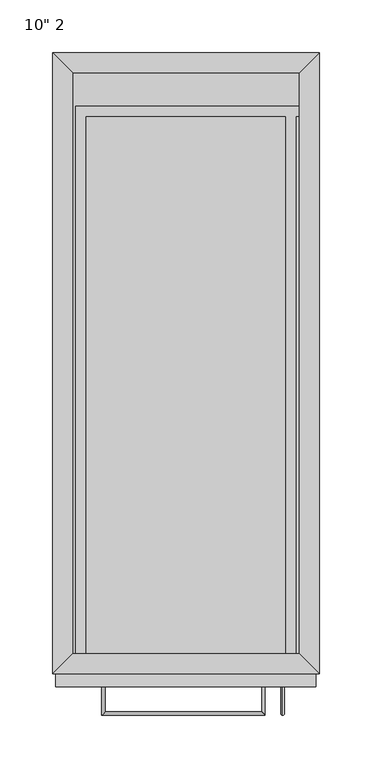
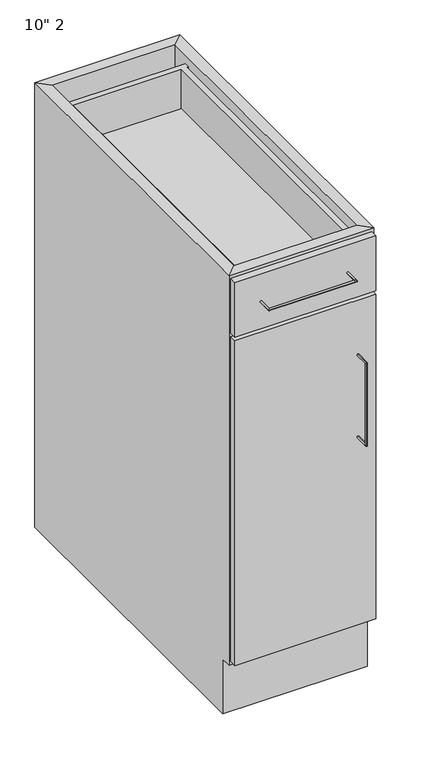
"""IFC4 building model written with IfcOpenShell, lengths in millimetres: furniture geometry."""

from ifc_helpers import new_model, si_unit, frame, origin, place, context, project, spatial, polyline, circle_curve, ellipse_curve, outline, extrude, faceted_brep, source, transform, mapped, element, save
from ifc_brep_helpers import plane_surface, cylinder_surface, advanced_brep


def furniture_84229272(model_context):
    return source(origin(), model_context, "Body", "SolidModel", [
        advanced_brep(
        [(110.8127049, -603.25, 611.1875), (110.8127049, -603.25, 608.0125), (110.8127049, -630.2375, 611.1875), (110.8127049, -627.0625, 608.0125), (110.8127049, -630.2375, 455.6125), (110.8127049, -627.0625, 458.7875), (110.8127049, -603.25, 455.6125), (110.8127049, -603.25, 458.7875)],
        [
            (0, 1, circle_curve(frame((110.8127049, -603.25, 609.6), z_axis=(0.0, 1.0, 0.0), x_axis=(0.0, 0.0, -1.0)), 1.5875)),
            (1, 0, circle_curve(frame((110.8127049, -603.25, 609.6), z_axis=(0.0, 1.0, 0.0), x_axis=(0.0, 0.0, -1.0)), 1.5875)),
            (0, 2),
            (2, 3, ellipse_curve(frame((110.8127049, -628.65, 609.6), z_axis=(0.0, 0.7071067811865475, 0.7071067811865475), x_axis=(0.0, 0.7071067811865476, -0.7071067811865474)), 2.245064, 1.5875)),
            (3, 1),
            (3, 2, ellipse_curve(frame((110.8127049, -628.65, 609.6), z_axis=(0.0, 0.7071067811865475, 0.7071067811865475), x_axis=(0.0, 0.7071067811865476, -0.7071067811865474)), 2.245064, 1.5875)),
            (2, 4),
            (4, 5, ellipse_curve(frame((110.8127049, -628.65, 457.2), z_axis=(0.0, -0.7071067811865475, 0.7071067811865475), x_axis=(0.0, 0.7071067811865474, 0.7071067811865476)), 2.245064, 1.5875)),
            (5, 3),
            (5, 4, ellipse_curve(frame((110.8127049, -628.65, 457.2), z_axis=(0.0, -0.7071067811865475, 0.7071067811865475), x_axis=(0.0, 0.7071067811865474, 0.7071067811865476)), 2.245064, 1.5875)),
            (6, 7, circle_curve(frame((110.8127049, -603.25, 457.2), z_axis=(0.0, 1.0, 0.0), x_axis=(0.0, 0.0, 1.0)), 1.5875)),
            (7, 6, circle_curve(frame((110.8127049, -603.25, 457.2), z_axis=(0.0, 1.0, 0.0), x_axis=(0.0, 0.0, 1.0)), 1.5875)),
            (4, 6),
            (7, 5),
        ],
        [
            plane_surface(frame((110.8127049, -603.25, 609.6), z_axis=(0.0, 1.0, 0.0), x_axis=(1.0, 0.0, 0.0))),
            cylinder_surface(frame((110.8127049, -603.25, 609.6), z_axis=(0.0, 1.0, 0.0), x_axis=(0.0, 0.0, -1.0)), 1.5875),
            cylinder_surface(frame((110.8127049, -628.65, 609.6), z_axis=(0.0, 0.0, 1.0), x_axis=(0.0, 1.0, 0.0)), 1.5875),
            plane_surface(frame((110.8127049, -603.25, 457.2), z_axis=(0.0, 1.0, 0.0), x_axis=(1.0, 0.0, 0.0))),
            cylinder_surface(frame((110.8127049, -628.65, 457.2), z_axis=(0.0, -1.0, 0.0), x_axis=(0.0, 0.0, 1.0)), 1.5875),
        ],
        [
            (0, [[1, 2]]),
            (1, [[-1, 3, 4, 5]]),
            (1, [[-2, -5, 6, -3]]),
            (2, [[-4, 7, 8, 9]]),
            (2, [[-6, -9, 10, -7]]),
            (3, [[11, 12]]),
            (4, [[-8, 13, -12, 14]]),
            (4, [[-10, -14, -11, -13]]),
        ],
    ),
        extrude(outline(polyline([(142.5627049, -603.25), (-105.0872951, -603.25), (-105.0872951, -590.55), (142.5627049, -590.55), (142.5627049, -603.25)])), frame((0.0, 0.0, 107.95), z_axis=(0.0, 0.0, 1.0), x_axis=(1.0, 0.0, 0.0)), (0.0, 0.0, 1.0), 603.25),
        extrude(outline(polyline([(142.5627049, -603.25), (-105.0872951, -603.25), (-105.0872951, -590.55), (142.5627049, -590.55), (142.5627049, -603.25)])), frame((0.0, 0.0, 717.55), z_axis=(0.0, 0.0, 1.0), x_axis=(1.0, 0.0, 0.0)), (0.0, 0.0, 1.0), 101.6),
        advanced_brep(
        [(-61.4022887, -603.25, 768.5912891), (-58.2272887, -603.25, 768.5912891), (-61.4022887, -630.2375, 768.5912891), (-58.2272887, -627.0625, 768.5912891), (94.1727113, -630.2375, 768.5912891), (90.9977113, -627.0625, 768.5912891), (94.1727113, -603.25, 768.5912891), (90.9977113, -603.25, 768.5912891)],
        [
            (0, 1, circle_curve(frame((-59.8147887, -603.25, 768.5912891), z_axis=(0.0, 1.0, 0.0), x_axis=(1.0, 0.0, 0.0)), 1.5875)),
            (1, 0, circle_curve(frame((-59.8147887, -603.25, 768.5912891), z_axis=(0.0, 1.0, 0.0), x_axis=(1.0, 0.0, 0.0)), 1.5875)),
            (0, 2),
            (2, 3, ellipse_curve(frame((-59.8147887, -628.65, 768.5912891), z_axis=(-0.7071067811865475, 0.7071067811865475, 0.0), x_axis=(0.7071067811865474, 0.7071067811865476, 0.0)), 2.245064, 1.5875)),
            (3, 1),
            (3, 2, ellipse_curve(frame((-59.8147887, -628.65, 768.5912891), z_axis=(-0.7071067811865475, 0.7071067811865475, 0.0), x_axis=(0.7071067811865474, 0.7071067811865476, 0.0)), 2.245064, 1.5875)),
            (2, 4),
            (4, 5, ellipse_curve(frame((92.5852113, -628.65, 768.5912891), z_axis=(-0.7071067811865475, -0.7071067811865475, 0.0), x_axis=(-0.7071067811865476, 0.7071067811865474, 0.0)), 2.245064, 1.5875)),
            (5, 3),
            (5, 4, ellipse_curve(frame((92.5852113, -628.65, 768.5912891), z_axis=(-0.7071067811865475, -0.7071067811865475, 0.0), x_axis=(-0.7071067811865476, 0.7071067811865474, 0.0)), 2.245064, 1.5875)),
            (6, 7, circle_curve(frame((92.5852113, -603.25, 768.5912891), z_axis=(0.0, 1.0, 0.0), x_axis=(-1.0, 0.0, 0.0)), 1.5875)),
            (7, 6, circle_curve(frame((92.5852113, -603.25, 768.5912891), z_axis=(0.0, 1.0, 0.0), x_axis=(-1.0, 0.0, 0.0)), 1.5875)),
            (4, 6),
            (7, 5),
        ],
        [
            plane_surface(frame((-59.8147887, -603.25, 768.5912891), z_axis=(0.0, 1.0, 0.0), x_axis=(0.0, 0.0, 1.0))),
            cylinder_surface(frame((-59.8147887, -603.25, 768.5912891), z_axis=(0.0, 1.0, 0.0), x_axis=(1.0, 0.0, 0.0)), 1.5875),
            cylinder_surface(frame((-59.8147887, -628.65, 768.5912891), z_axis=(-1.0, 0.0, 0.0), x_axis=(0.0, 1.0, 0.0)), 1.5875),
            plane_surface(frame((92.5852113, -603.25, 768.5912891), z_axis=(0.0, 1.0, 0.0), x_axis=(0.0, 0.0, 1.0))),
            cylinder_surface(frame((92.5852113, -628.65, 768.5912891), z_axis=(0.0, -1.0, 0.0), x_axis=(-1.0, 0.0, 0.0)), 1.5875),
        ],
        [
            (0, [[1, 2]]),
            (1, [[-1, 3, 4, 5]]),
            (1, [[-2, -5, 6, -3]]),
            (2, [[-4, 7, 8, 9]]),
            (2, [[-6, -9, 10, -7]]),
            (3, [[11, 12]]),
            (4, [[-8, 13, -12, 14]]),
            (4, [[-10, -14, -11, -13]]),
        ],
    ),
        faceted_brep([(126.6877049, -571.5, 101.6), (-89.2122951, -571.5, 101.6), (-89.2122951, -571.5, 107.95), (126.6877049, -571.5, 107.95), (-89.2122951, -571.5, 825.5), (126.6877049, -571.5, 825.5), (126.6877049, -571.5, 815.975), (-89.2122951, -571.5, 815.975), (-89.2122951, -571.5, 650.875), (-89.2122951, -571.5, 676.275), (126.6877049, -571.5, 676.275), (126.6877049, -571.5, 650.875), (-108.2622951, -590.55, 825.5), (145.7377049, -590.55, 825.5), (-108.2622951, -590.55, 101.6), (145.7377049, -590.55, 101.6), (-89.2122951, -590.55, 676.275), (-89.2122951, -590.55, 815.975), (126.6877049, -590.55, 815.975), (126.6877049, -590.55, 676.275), (-89.2122951, -590.55, 107.95), (-89.2122951, -590.55, 650.875), (126.6877049, -590.55, 650.875), (126.6877049, -590.55, 107.95), (-89.2122951, -19.05, 101.6), (-89.2122951, -19.05, 825.5), (-108.2622951, 0.0, 825.5), (-108.2622951, 0.0, 0.0), (-108.2622951, -571.5, 0.0), (-108.2622951, -571.5, 101.6), (126.6877049, -19.05, 101.6), (126.6877049, -19.05, 825.5), (145.7377049, 0.0, 825.5), (145.7377049, 0.0, 0.0), (145.7377049, -571.5, 101.6), (145.7377049, -571.5, 0.0)], [[[0, 1, 2, 3]], [[4, 5, 6, 7]], [[8, 9, 10, 11]], [[5, 4, 12, 13]], [[13, 12, 14, 15], [16, 17, 18, 19], [20, 21, 22, 23]], [[1, 0, 15, 14]], [[24, 25, 4, 7, 17, 16, 9, 8, 21, 20, 2, 1]], [[12, 4, 25, 26]], [[14, 12, 26, 27, 28, 29]], [[1, 14, 29]], [[25, 24, 30, 31]], [[26, 25, 31, 32]], [[26, 32, 33, 27]], [[31, 30, 0, 3, 23, 22, 11, 10, 19, 18, 6, 5]], [[5, 13, 32, 31]], [[13, 15, 34, 35, 33, 32]], [[15, 0, 34]], [[1, 0, 30, 24]], [[33, 35, 28, 27]], [[28, 35, 34, 0, 1, 29]], [[9, 16, 19, 10]], [[17, 7, 6, 18]], [[2, 20, 23, 3]], [[21, 8, 11, 22]]]),
        faceted_brep([(-86.0372951, -50.9683358, 727.075), (-86.0372951, -50.9683358, 809.625), (126.6877049, -50.9683358, 809.625), (126.6877049, -50.9683358, 736.6), (123.5127049, -50.9683358, 736.6), (123.5127049, -50.9683358, 727.075), (-86.0372951, -571.5, 727.075), (-86.0372951, -571.5, 809.625), (126.6877049, -60.4933358, 809.625), (-76.5122951, -571.5, 809.625), (-76.5122951, -60.4933358, 809.625), (113.9877049, -60.4933358, 809.625), (113.9877049, -571.5, 809.625), (123.5127049, -571.5, 809.625), (123.5127049, -60.4933358, 809.625), (-76.5122951, -60.4933358, 736.6), (-76.5122951, -571.5, 736.6), (113.9877049, -60.4933358, 736.6), (113.9877049, -571.5, 736.6), (123.5127049, -60.4933358, 736.6), (123.5127049, -571.5, 727.075), (126.6877049, -60.4933358, 736.6)], [[[0, 1, 2, 3, 4, 5]], [[1, 0, 6, 7]], [[8, 2, 1, 7, 9, 10, 11, 12, 13, 14]], [[15, 10, 9, 16]], [[17, 15, 16, 18]], [[11, 17, 18, 12]], [[5, 4, 19, 14, 13, 20]], [[0, 5, 20, 6]], [[3, 21, 19, 4]], [[21, 8, 14, 19]], [[11, 10, 15, 17]], [[2, 8, 21, 3]], [[7, 6, 20, 13, 12, 18, 16, 9]]]),
        extrude(outline(polyline([(126.6877049, -19.05), (126.6877049, -571.5), (-89.2122951, -571.5), (-89.2122951, -19.05), (126.6877049, -19.05)])), frame((0.0, 0.0, 101.6), z_axis=(0.0, 0.0, 1.0), x_axis=(1.0, 0.0, 0.0)), (0.0, 0.0, 1.0), 6.35),
    ])


if __name__ == "__main__":
    model = new_model("IFC4")
    model_context = context("Model", 3, world=origin())
    ifc_project = project(units=[si_unit("LENGTHUNIT", "METRE", prefix="MILLI")], contexts=[model_context])
    site = spatial("IfcSite", under=ifc_project)
    building = spatial("IfcBuilding", under=site)
    placement = place(None, origin())
    furniture_shape = furniture_84229272(model_context)
    element("IfcFurniture", 1, ObjectType="10\" 2", at=placement, inside=building, context=model_context, shape_type="MappedRepresentation", body=[
        mapped(furniture_shape, transform((0.0, 0.0, 0.0), x_axis=(1.0, 0.0, 0.0), y_axis=(0.0, 1.0, 0.0), z_axis=(0.0, 0.0, 1.0))),
    ])
    save(model, "model.ifc")
